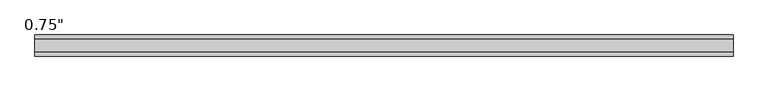
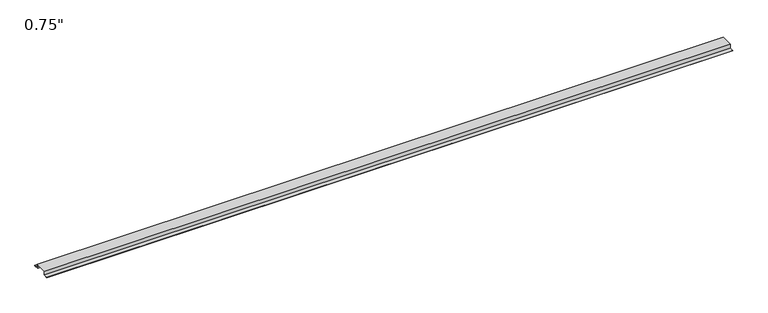
"""IFC4 building model written with IfcOpenShell, lengths in millimetres: proxy geometry."""

from ifc_helpers import new_model, si_unit, frame, origin, place, context, project, spatial, polyline, outline, extrude, source, transform, mapped, element, save


def proxy_e68177c4(model_context):
    return source(origin(), model_context, "Body", "SweptSolid", [
        extrude(outline(polyline([(-46.0559645, -17.4625), (-46.0559645, -15.8492), (-27.0129, -15.8492), (-27.0129, 1.6129), (27.0129, 1.6129), (27.0129, -15.8492), (46.0559645, -15.8492), (46.0559645, -17.4625), (25.4, -17.4625), (25.4, 0.0), (-25.4, 0.0), (-25.4, -17.4625), (-46.0559645, -17.4625)])), frame((0.0, 0.0, 0.0), z_axis=(1.0, 0.0, 0.0), x_axis=(0.0, 1.0, 0.0)), (0.0, 0.0, 1.0), 3048.0),
    ])


if __name__ == "__main__":
    model = new_model("IFC4")
    model_context = context("Model", 3, world=origin())
    ifc_project = project(units=[si_unit("LENGTHUNIT", "METRE", prefix="MILLI")], contexts=[model_context])
    site = spatial("IfcSite", under=ifc_project)
    building = spatial("IfcBuilding", under=site)
    placement = place(None, origin())
    proxy_shape = proxy_e68177c4(model_context)
    element("IfcBuildingElementProxy", 1, Name="0.75\"", ObjectType="0.75\"", at=placement, inside=building, context=model_context, shape_type="MappedRepresentation", body=[
        mapped(proxy_shape, transform((0.0, 0.0, 0.0), x_axis=(1.0, 0.0, 0.0), y_axis=(0.0, 1.0, 0.0), z_axis=(0.0, 0.0, 1.0))),
    ])
    save(model, "model.ifc")
